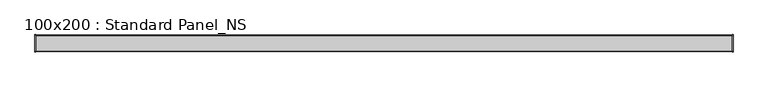
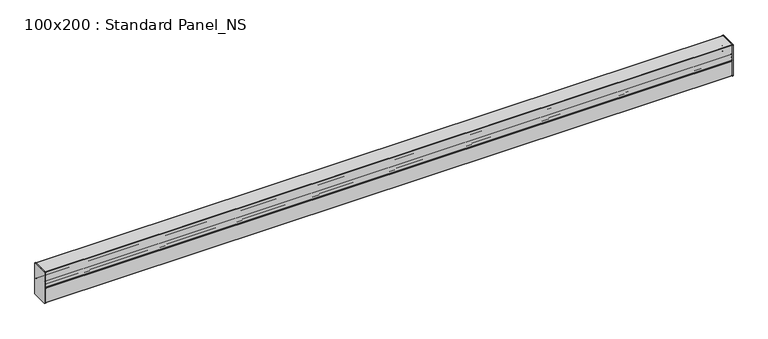
"""IFC4 building model written with IfcOpenShell, lengths in millimetres: proxy geometry, 100x200 : Standard Panel_NS."""

from ifc_helpers import new_model, si_unit, point, frame, frame_2d, origin, place, context, project, spatial, polyline, circle_curve, trimmed, segment, composite_curve, outline, extrude, source, transform, mapped, element, save


def proxy_100x200_standard_panel_ns_1019c763(model_context):
    return source(origin(), model_context, "Body", "SweptSolid", [
        extrude(outline(composite_curve([segment(polyline([(48.35, -202.0), (-48.35, -202.0)]), True, "CONTINUOUS"), segment(trimmed(circle_curve(frame_2d((-48.35, -198.35)), 3.65), [point((-48.35, -202.0))], [point((-52.0, -198.35))], False, "CARTESIAN"), True, "CONTINUOUS"), segment(polyline([(-52.0, -198.35), (-52.0, -1.65)]), True, "CONTINUOUS"), segment(trimmed(circle_curve(frame_2d((-48.35, -1.65)), 3.65), [point((-52.0, -1.65))], [point((-48.35, 2.0))], False, "CARTESIAN"), True, "CONTINUOUS"), segment(polyline([(-48.35, 2.0), (48.35, 2.0)]), True, "CONTINUOUS"), segment(trimmed(circle_curve(frame_2d((48.35, -1.65)), 3.65), [point((48.35, 2.0))], [point((52.0, -1.65))], False, "CARTESIAN"), True, "CONTINUOUS"), segment(polyline([(52.0, -1.65), (52.0, -198.35)]), True, "CONTINUOUS"), segment(trimmed(circle_curve(frame_2d((48.35, -198.35)), 3.65), [point((52.0, -198.35))], [point((48.35, -202.0))], False, "CARTESIAN"), True, "CONTINUOUS")], self_intersect=False)), frame((-4.0, 0.0, 0.0), z_axis=(1.0, 0.0, 0.0), x_axis=(0.0, 1.0, 0.0)), (0.0, 0.0, 1.0), 4.0),
        extrude(outline(composite_curve([segment(trimmed(circle_curve(frame_2d((-48.35, -198.35)), 3.65), [point((-48.35, -202.0))], [point((-52.0, -198.35))], False, "CARTESIAN"), True, "CONTINUOUS"), segment(polyline([(-52.0, -198.35), (-52.0, -1.65)]), True, "CONTINUOUS"), segment(trimmed(circle_curve(frame_2d((-48.35, -1.65)), 3.65), [point((-52.0, -1.65))], [point((-48.35, 2.0))], False, "CARTESIAN"), True, "CONTINUOUS"), segment(polyline([(-48.35, 2.0), (48.35, 2.0)]), True, "CONTINUOUS"), segment(trimmed(circle_curve(frame_2d((48.35, -1.65)), 3.65), [point((48.35, 2.0))], [point((52.0, -1.65))], False, "CARTESIAN"), True, "CONTINUOUS"), segment(polyline([(52.0, -1.65), (52.0, -198.35)]), True, "CONTINUOUS"), segment(trimmed(circle_curve(frame_2d((48.35, -198.35)), 3.65), [point((52.0, -198.35))], [point((48.35, -202.0))], False, "CARTESIAN"), True, "CONTINUOUS"), segment(polyline([(48.35, -202.0), (-48.35, -202.0)]), True, "CONTINUOUS")], self_intersect=False)), frame((4200.0, 0.0, 0.0), z_axis=(1.0, 0.0, 0.0), x_axis=(0.0, 1.0, 0.0)), (0.0, 0.0, 1.0), 4.0),
        extrude(outline(composite_curve([segment(polyline([(-48.2928932, -79.452932), (-48.2928932, -63.7215409)]), True, "CONTINUOUS"), segment(trimmed(circle_curve(frame_2d((-46.7928932, -63.7215409)), 1.5), [point((-48.2928932, -63.7215409))], [point((-45.2928932, -63.7215409))], False, "CARTESIAN"), True, "CONTINUOUS"), segment(polyline([(-45.2928932, -63.7215409), (-45.2928932, -72.2215409), (-46.2928932, -72.2215409), (-46.2928932, -63.7215409)]), True, "CONTINUOUS"), segment(trimmed(circle_curve(frame_2d((-46.7928932, -63.7215409)), 0.5), [point((-46.2928932, -63.7215409))], [point((-47.2928932, -63.7215409))], True, "CARTESIAN"), True, "CONTINUOUS"), segment(polyline([(-47.2928932, -63.7215409), (-47.2928932, -79.7221708), (-37.4741595, -89.5409045)]), True, "CONTINUOUS"), segment(trimmed(circle_curve(frame_2d((-38.888373, -90.9551181)), 2.0), [point((-37.4741595, -89.5409045))], [point((-37.4741595, -92.3693317))], False, "CARTESIAN"), True, "CONTINUOUS"), segment(polyline([(-37.4741595, -92.3693317), (-49.0, -103.8951722), (-49.0, -198.7672618)]), True, "CONTINUOUS"), segment(trimmed(circle_curve(frame_2d((-48.35, -198.7672618)), 0.65), [point((-49.0, -198.7672618))], [point((-48.35, -199.4172618))], True, "CARTESIAN"), True, "CONTINUOUS"), segment(polyline([(-48.35, -199.4172618), (48.35, -199.4172618)]), True, "CONTINUOUS"), segment(trimmed(circle_curve(frame_2d((48.35, -198.7672618)), 0.65), [point((48.35, -199.4172618))], [point((49.0, -198.7672618))], True, "CARTESIAN"), True, "CONTINUOUS"), segment(polyline([(49.0, -198.7672618), (49.0, -103.8951722), (37.4741595, -92.3693317)]), True, "CONTINUOUS"), segment(trimmed(circle_curve(frame_2d((38.888373, -90.9551181)), 2.0), [point((37.4741595, -92.3693317))], [point((37.4741595, -89.5409045))], False, "CARTESIAN"), True, "CONTINUOUS"), segment(polyline([(37.4741595, -89.5409045), (47.2928932, -79.7221708), (47.2928932, -63.7215409)]), True, "CONTINUOUS"), segment(trimmed(circle_curve(frame_2d((46.7928932, -63.7215409)), 0.5), [point((47.2928932, -63.7215409))], [point((46.2928932, -63.7215409))], True, "CARTESIAN"), True, "CONTINUOUS"), segment(polyline([(46.2928932, -63.7215409), (46.2928932, -72.2215409), (45.2928932, -72.2215409), (45.2928932, -63.7215409)]), True, "CONTINUOUS"), segment(trimmed(circle_curve(frame_2d((46.7928932, -63.7215409)), 1.5), [point((45.2928932, -63.7215409))], [point((48.2928932, -63.7215409))], False, "CARTESIAN"), True, "CONTINUOUS"), segment(polyline([(48.2928932, -63.7215409), (48.2928932, -79.452932)]), True, "CONTINUOUS"), segment(trimmed(circle_curve(frame_2d((46.6428932, -79.452932)), 1.65), [point((48.2928932, -79.452932))], [point((47.8096194, -80.6196582))], False, "CARTESIAN"), True, "CONTINUOUS"), segment(polyline([(47.8096194, -80.6196582), (38.1862915, -90.2429861)]), True, "CONTINUOUS"), segment(trimmed(circle_curve(frame_2d((38.8933983, -90.9500929)), 1.0), [point((38.1862915, -90.2429861))], [point((38.1862915, -91.6571996))], True, "CARTESIAN"), True, "CONTINUOUS"), segment(polyline([(38.1862915, -91.6571996), (49.5167262, -102.9876343)]), True, "CONTINUOUS"), segment(trimmed(circle_curve(frame_2d((48.35, -104.1543605)), 1.65), [point((49.5167262, -102.9876343))], [point((50.0, -104.1543605))], False, "CARTESIAN"), True, "CONTINUOUS"), segment(polyline([(50.0, -104.1543605), (50.0, -198.7672618)]), True, "CONTINUOUS"), segment(trimmed(circle_curve(frame_2d((48.35, -198.7672618)), 1.65), [point((50.0, -198.7672618))], [point((48.35, -200.4172618))], False, "CARTESIAN"), True, "CONTINUOUS"), segment(polyline([(48.35, -200.4172618), (-48.35, -200.4172618)]), True, "CONTINUOUS"), segment(trimmed(circle_curve(frame_2d((-48.35, -198.7672618)), 1.65), [point((-48.35, -200.4172618))], [point((-50.0, -198.7672618))], False, "CARTESIAN"), True, "CONTINUOUS"), segment(polyline([(-50.0, -198.7672618), (-50.0, -104.1543605)]), True, "CONTINUOUS"), segment(trimmed(circle_curve(frame_2d((-48.35, -104.1543605)), 1.65), [point((-50.0, -104.1543605))], [point((-49.5167262, -102.9876343))], False, "CARTESIAN"), True, "CONTINUOUS"), segment(polyline([(-49.5167262, -102.9876343), (-38.1862915, -91.6571996)]), True, "CONTINUOUS"), segment(trimmed(circle_curve(frame_2d((-38.8933983, -90.9500929)), 1.0), [point((-38.1862915, -91.6571996))], [point((-38.1862915, -90.2429861))], True, "CARTESIAN"), True, "CONTINUOUS"), segment(polyline([(-38.1862915, -90.2429861), (-47.8096194, -80.6196582)]), True, "CONTINUOUS"), segment(trimmed(circle_curve(frame_2d((-46.6428932, -79.452932)), 1.65), [point((-47.8096194, -80.6196582))], [point((-48.2928932, -79.452932))], False, "CARTESIAN"), True, "CONTINUOUS")], self_intersect=False)), frame((0.0, 0.0, 0.0), z_axis=(1.0, 0.0, 0.0), x_axis=(0.0, 1.0, 0.0)), (0.0, 0.0, 1.0), 4200.0),
        extrude(outline(composite_curve([segment(polyline([(47.0, -99.25), (47.0, -85.75), (48.0, -85.75), (48.0, -99.25)]), True, "CONTINUOUS"), segment(trimmed(circle_curve(frame_2d((48.5, -99.25)), 0.5), [point((48.0, -99.25))], [point((49.0, -99.25))], True, "CARTESIAN"), True, "CONTINUOUS"), segment(polyline([(49.0, -99.25), (49.0, -1.65)]), True, "CONTINUOUS"), segment(trimmed(circle_curve(frame_2d((48.35, -1.65)), 0.65), [point((49.0, -1.65))], [point((48.35, -1.0))], True, "CARTESIAN"), True, "CONTINUOUS"), segment(polyline([(48.35, -1.0), (-48.35, -1.0)]), True, "CONTINUOUS"), segment(trimmed(circle_curve(frame_2d((-48.35, -1.65)), 0.65), [point((-48.35, -1.0))], [point((-49.0, -1.65))], True, "CARTESIAN"), True, "CONTINUOUS"), segment(polyline([(-49.0, -1.65), (-49.0, -99.25)]), True, "CONTINUOUS"), segment(trimmed(circle_curve(frame_2d((-48.5, -99.25)), 0.5), [point((-49.0, -99.25))], [point((-48.0, -99.25))], True, "CARTESIAN"), True, "CONTINUOUS"), segment(polyline([(-48.0, -99.25), (-48.0, -85.75), (-47.0, -85.75), (-47.0, -99.25)]), True, "CONTINUOUS"), segment(trimmed(circle_curve(frame_2d((-48.5, -99.25)), 1.5), [point((-47.0, -99.25))], [point((-50.0, -99.25))], False, "CARTESIAN"), True, "CONTINUOUS"), segment(polyline([(-50.0, -99.25), (-50.0, -1.65)]), True, "CONTINUOUS"), segment(trimmed(circle_curve(frame_2d((-48.35, -1.65)), 1.65), [point((-50.0, -1.65))], [point((-48.35, 0.0))], False, "CARTESIAN"), True, "CONTINUOUS"), segment(polyline([(-48.35, 0.0), (48.35, 0.0)]), True, "CONTINUOUS"), segment(trimmed(circle_curve(frame_2d((48.35, -1.65)), 1.65), [point((48.35, 0.0))], [point((50.0, -1.65))], False, "CARTESIAN"), True, "CONTINUOUS"), segment(polyline([(50.0, -1.65), (50.0, -99.25)]), True, "CONTINUOUS"), segment(trimmed(circle_curve(frame_2d((48.5, -99.25)), 1.5), [point((50.0, -99.25))], [point((47.0, -99.25))], False, "CARTESIAN"), True, "CONTINUOUS")], self_intersect=False)), frame((0.0, 0.0, 0.0), z_axis=(1.0, 0.0, 0.0), x_axis=(0.0, 1.0, 0.0)), (0.0, 0.0, 1.0), 4200.0),
    ])


if __name__ == "__main__":
    model = new_model("IFC4")
    model_context = context("Model", 3, world=origin())
    ifc_project = project(units=[si_unit("LENGTHUNIT", "METRE", prefix="MILLI")], contexts=[model_context])
    site = spatial("IfcSite", under=ifc_project)
    building = spatial("IfcBuilding", under=site)
    placement = place(None, origin())
    proxy_100x200_standard_panel_ns_shape = proxy_100x200_standard_panel_ns_1019c763(model_context)
    element("IfcBuildingElementProxy", 1, Name="100x200 : Standard Panel_NS", ObjectType="100x200 : Standard Panel_NS", at=placement, inside=building, context=model_context, shape_type="MappedRepresentation", body=[
        mapped(proxy_100x200_standard_panel_ns_shape, transform((0.0, 0.0, 0.0), x_axis=(1.0, 0.0, 0.0), y_axis=(0.0, 1.0, 0.0), z_axis=(0.0, 0.0, 1.0))),
    ])
    save(model, "model.ifc")
